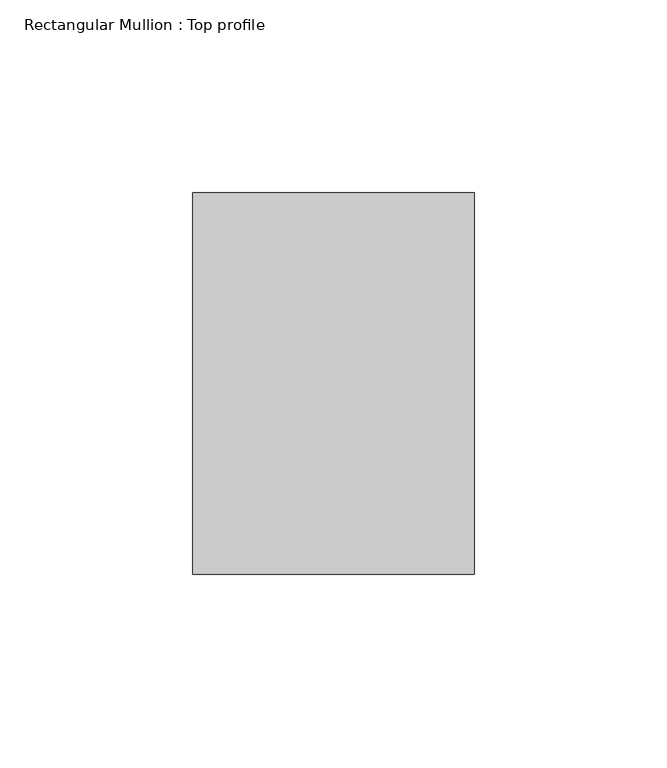
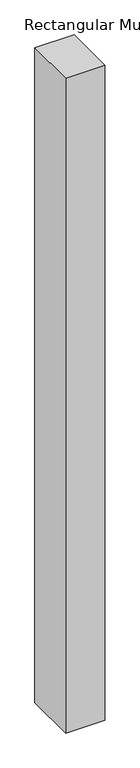
"""IFC4 building model written with IfcOpenShell, lengths in millimetres: member geometry, Rectangular Mullion : Top profile."""

from ifc_helpers import new_model, si_unit, frame, origin, place, context, project, spatial, polyline, outline, extrude, source, transform, mapped, element, save


def rectangular_mullion_top_profile_9ebe6246(model_context):
    return source(origin(), model_context, "Body", "SweptSolid", [
        extrude(outline(polyline([(-73.0, -49.5), (-73.0, 49.5), (0.0, 49.5), (0.0, -49.5), (-73.0, -49.5)])), frame((0.0, 0.0, -1290.0), z_axis=(0.0, 0.0, 1.0), x_axis=(1.0, 0.0, 0.0)), (0.0, 0.0, 1.0), 1290.0),
    ])


if __name__ == "__main__":
    model = new_model("IFC4")
    model_context = context("Model", 3, world=origin())
    ifc_project = project(units=[si_unit("LENGTHUNIT", "METRE", prefix="MILLI")], contexts=[model_context])
    site = spatial("IfcSite", under=ifc_project)
    building = spatial("IfcBuilding", under=site)
    placement = place(None, origin())
    rectangular_mullion_top_profile_shape = rectangular_mullion_top_profile_9ebe6246(model_context)
    element("IfcMember", 1, ObjectType="Rectangular Mullion : Top profile", at=placement, inside=building, context=model_context, shape_type="MappedRepresentation", body=[
        mapped(rectangular_mullion_top_profile_shape, transform((0.0, 0.0, 0.0), x_axis=(1.0, 0.0, 0.0), y_axis=(0.0, 1.0, 0.0), z_axis=(0.0, 0.0, 1.0))),
    ])
    save(model, "model.ifc")
